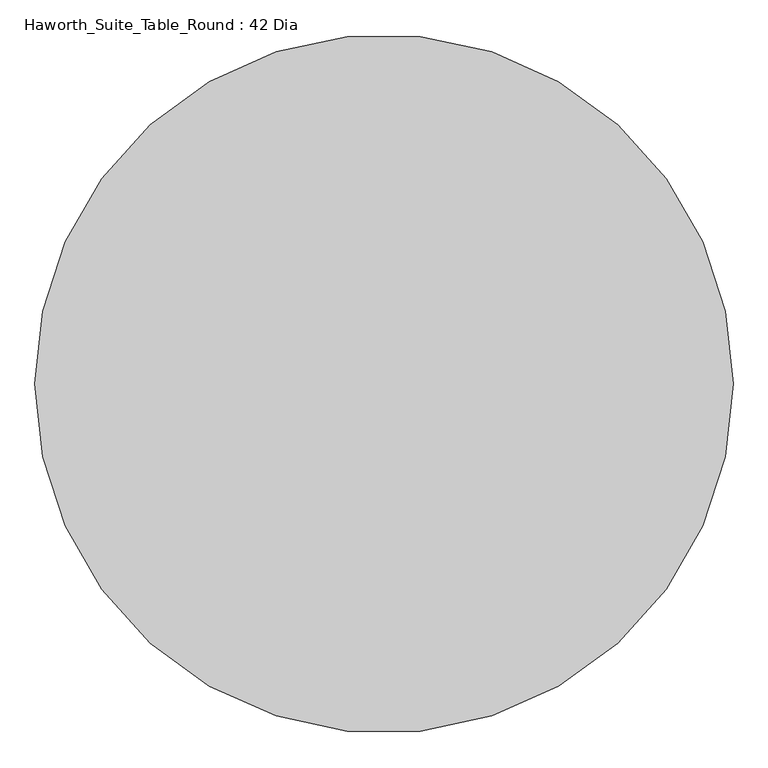
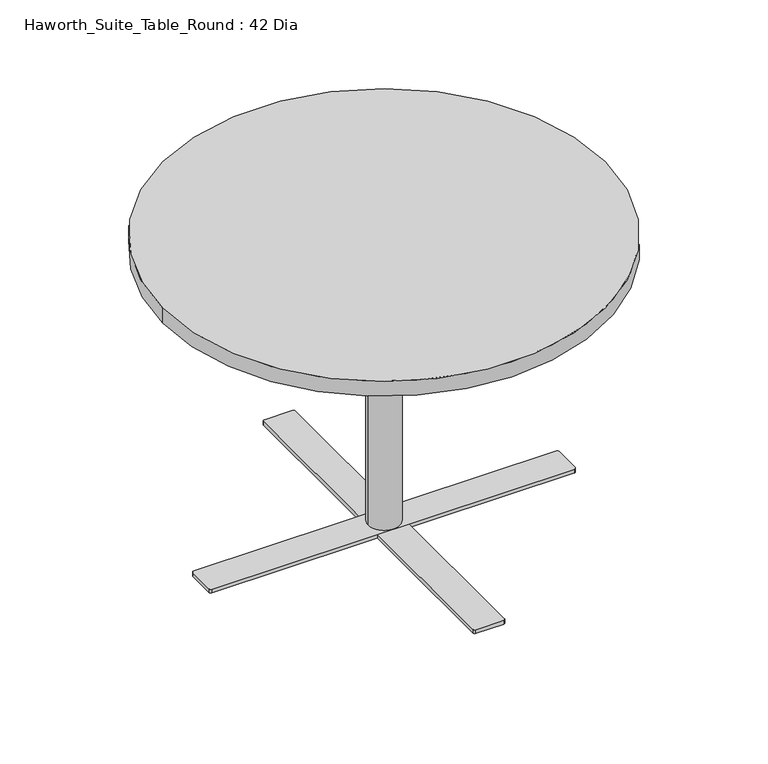
"""IFC4 building model written with IfcOpenShell, lengths in millimetres: furniture geometry, Haworth_Suite_Table_Round : 42 Dia."""

import ifcopenshell
import ifcopenshell.guid

model = None  # the IFC model being written
_history = None  # IfcOwnerHistory: only IFC2X3 demands one
_inside = {}  # id of a spatial element -> (the spatial element, [elements in it])
_under = {}  # id of a project, library or spatial element -> (it, [spatial elements below it])
_declared = {}  # id of a project -> (the project, [libraries it declares])
_typed = {}  # id of a type object -> (the type object, [elements of that type])
_made_of = {}  # id of a material, layer set ... -> (it, [elements and type objects made of it])


def new_model(schema):
    """Start an empty IFC model of exactly this schema.

    Asked for "IFC4X3", IfcOpenShell would pick the latest addendum, in which some entities
    have other attributes; the version numbers below select the first issue.
    IFC2X3 requires an IfcOwnerHistory on every rooted entity: one is made here for all.
    """
    global model, _history
    if schema == "IFC4X3":
        model = ifcopenshell.file(schema_version=(4, 3, 0, 0))
    else:
        model = ifcopenshell.file(schema=schema)
    _inside.clear()
    _under.clear()
    _declared.clear()
    _typed.clear()
    _made_of.clear()
    _history = None
    if model.schema == "IFC2X3":
        org = make("IfcOrganization", Name="unknown")
        user = make(
            "IfcPersonAndOrganization",
            ThePerson=make("IfcPerson", FamilyName="unknown"),
            TheOrganization=org,
        )
        app = make(
            "IfcApplication",
            ApplicationDeveloper=org,
            Version="unknown",
            ApplicationFullName="unknown",
            ApplicationIdentifier="unknown",
        )
        _history = make(
            "IfcOwnerHistory",
            OwningUser=user,
            OwningApplication=app,
            ChangeAction="ADDED",
            CreationDate=0,
        )
    return model


def make(cls, **values):
    """One entity of the class cls with the attributes given. An attribute that is None is left unset."""
    return model.create_entity(
        cls, **{name: value for name, value in values.items() if value is not None}
    )


def rooted(cls, **values):
    """An entity with a GlobalId (a new one), such as an element, a storey or a relation."""
    return make(cls, GlobalId=ifcopenshell.guid.new(), OwnerHistory=_history, **values)


def si_unit(unit_type, name, prefix=None):
    """IfcSIUnit, for example si_unit("LENGTHUNIT", "METRE", prefix="MILLI")."""
    return make("IfcSIUnit", UnitType=unit_type, Prefix=prefix, Name=name)


def assignment(units):
    """IfcUnitAssignment: the units of a project."""
    return None if units is None else make("IfcUnitAssignment", Units=units)


def point(xyz):
    """IfcCartesianPoint."""
    return None if xyz is None else make("IfcCartesianPoint", Coordinates=xyz)


def direction(xyz):
    """IfcDirection."""
    return None if xyz is None else make("IfcDirection", DirectionRatios=xyz)


def frame(location, z_axis=None, x_axis=None):
    """IfcAxis2Placement3D, a coordinate frame: its origin and axes. An axis left out is left unset."""
    return make(
        "IfcAxis2Placement3D",
        Location=point(location),
        Axis=direction(z_axis),
        RefDirection=direction(x_axis),
    )


def frame_2d(location, x_axis=None):
    """IfcAxis2Placement2D, a coordinate frame in the plane: its origin and x axis."""
    return make(
        "IfcAxis2Placement2D", Location=point(location), RefDirection=direction(x_axis)
    )


def origin():
    """The frame at (0, 0, 0) with its axes left unset."""
    return frame((0.0, 0.0, 0.0))


def origin_with_axes():
    """The frame at (0, 0, 0) with the z axis (0, 0, 1) and the x axis (1, 0, 0) written out."""
    return frame((0.0, 0.0, 0.0), z_axis=(0.0, 0.0, 1.0), x_axis=(1.0, 0.0, 0.0))


def place(relative_to, where):
    """IfcLocalPlacement: puts the frame where relative to a parent placement (None: the world)."""
    return make(
        "IfcLocalPlacement", PlacementRelTo=relative_to, RelativePlacement=where
    )


def context(
    kind, dimensions, precision=None, world=None, true_north=None, identifier=None
):
    """IfcGeometricRepresentationContext, for example the 3D "Model" context."""
    return make(
        "IfcGeometricRepresentationContext",
        ContextIdentifier=identifier,
        ContextType=kind,
        CoordinateSpaceDimension=dimensions,
        Precision=precision,
        WorldCoordinateSystem=world,
        TrueNorth=true_north,
    )


def project(units=None, contexts=None):
    """IfcProject with its units and contexts."""
    return rooted(
        "IfcProject",
        Name="project",
        RepresentationContexts=contexts,
        UnitsInContext=assignment(units),
    )


def spatial(cls, under=None, at=None, **own):
    """A site, building, storey or space (cls), placed at a placement, below another one or the project."""
    s = rooted(cls, ObjectPlacement=at, **own)
    if under is not None:
        _under.setdefault(under.id(), (under, []))[1].append(s)
    return s


def polyline(points):
    """IfcPolyline through the points."""
    return make("IfcPolyline", Points=[point(p) for p in points])


def circle_curve(where, radius):
    """IfcCircle in the frame where."""
    return make("IfcCircle", Position=where, Radius=radius)


def trimmed(basis, trim1, trim2, sense, master):
    """IfcTrimmedCurve: the piece of a basis curve between two trims."""
    return make(
        "IfcTrimmedCurve",
        BasisCurve=basis,
        Trim1=trim1,
        Trim2=trim2,
        SenseAgreement=sense,
        MasterRepresentation=master,
    )


def segment(curve, same_sense, transition):
    """IfcCompositeCurveSegment."""
    return make(
        "IfcCompositeCurveSegment",
        Transition=transition,
        SameSense=same_sense,
        ParentCurve=curve,
    )


def composite_curve(segments, self_intersect=None):
    """IfcCompositeCurve: segments joined end to end."""
    return make("IfcCompositeCurve", Segments=segments, SelfIntersect=self_intersect)


def outline(outer, holes=None, kind="AREA"):
    """IfcArbitraryClosedProfileDef: a profile drawn as a closed curve; with holes, ...WithVoids."""
    if holes is None:
        return make("IfcArbitraryClosedProfileDef", ProfileType=kind, OuterCurve=outer)
    return make(
        "IfcArbitraryProfileDefWithVoids",
        ProfileType=kind,
        OuterCurve=outer,
        InnerCurves=holes,
    )


def extrude(swept, where, along, depth):
    """IfcExtrudedAreaSolid: the profile swept, set in the frame where, extruded along a direction by depth."""
    return make(
        "IfcExtrudedAreaSolid",
        SweptArea=swept,
        Position=where,
        ExtrudedDirection=direction(along),
        Depth=depth,
    )


def shape(context_of_items, identifier, shape_type, items):
    """IfcShapeRepresentation: the items that make up one representation, for example the "Body"."""
    return make(
        "IfcShapeRepresentation",
        ContextOfItems=context_of_items,
        RepresentationIdentifier=identifier,
        RepresentationType=shape_type,
        Items=items,
    )


def source(mapping_origin, context_of_items, identifier, shape_type, items):
    """IfcRepresentationMap: a shape defined once, which mapped items show again and again."""
    return make(
        "IfcRepresentationMap",
        MappingOrigin=mapping_origin,
        MappedRepresentation=shape(context_of_items, identifier, shape_type, items),
    )


def transform(
    local_origin,
    x_axis=None,
    y_axis=None,
    z_axis=None,
    scale=None,
    scale2=None,
    scale3=None,
    uniform=True,
):
    """IfcCartesianTransformationOperator3D, or its non-uniform kind. x_axis, y_axis, z_axis: its Axis1, 2, 3."""
    if uniform:
        return make(
            "IfcCartesianTransformationOperator3D",
            Axis1=direction(x_axis),
            Axis2=direction(y_axis),
            LocalOrigin=point(local_origin),
            Scale=scale,
            Axis3=direction(z_axis),
        )
    return make(
        "IfcCartesianTransformationOperator3DnonUniform",
        Axis1=direction(x_axis),
        Axis2=direction(y_axis),
        LocalOrigin=point(local_origin),
        Scale=scale,
        Axis3=direction(z_axis),
        Scale2=scale2,
        Scale3=scale3,
    )


def mapped(mapping_source, mapping_target):
    """IfcMappedItem: shows the shape of a source again, moved by a transform."""
    return make(
        "IfcMappedItem", MappingSource=mapping_source, MappingTarget=mapping_target
    )


def made_of(thing, what):
    """Note that an element or type object is made of a material, layer set ...; save() writes the relation."""
    if what is not None:
        _made_of.setdefault(what.id(), (what, []))[1].append(thing)
    return thing


def element(
    cls,
    number,
    at=None,
    inside=None,
    cuts=None,
    type_object=None,
    material=None,
    context=None,
    identifier="Body",
    shape_type=None,
    held_by="IfcProductDefinitionShape",
    body=None,
    shapes=None,
    **own,
):
    """One element of the class cls, such as IfcWall. Its Tag is "e" and its number.

    at: its placement. inside: the storey or other place that contains it. cuts: it is an
    opening in that element (IfcRelVoidsElement). A single representation is given by context,
    identifier, shape_type and body (its items); several are given by shapes. held_by: the class
    of the entity that holds the representations. save() writes the other relations.
    """
    e = rooted(cls, Tag="e%d" % number, ObjectPlacement=at, **own)
    if body is not None:
        shapes = [shape(context, identifier, shape_type, body)]
    if shapes is not None:
        e.Representation = make(held_by, Representations=shapes)
    if inside is not None:
        _inside.setdefault(inside.id(), (inside, []))[1].append(e)
    if cuts is not None:
        rooted(
            "IfcRelVoidsElement", RelatingBuildingElement=cuts, RelatedOpeningElement=e
        )
    if type_object is not None:
        _typed.setdefault(type_object.id(), (type_object, []))[1].append(e)
    return made_of(e, material)


def aggregate(whole, parts):
    """IfcRelAggregates: a whole, such as a stair, and the parts it consists of."""
    return rooted("IfcRelAggregates", RelatingObject=whole, RelatedObjects=parts)


def save(model, path):
    """Write the relations noted so far, then the file.

    IfcRelAggregates (storeys below a building ...), IfcRelContainedInSpatialStructure (elements
    in a storey), IfcRelDefinesByType, IfcRelAssociatesMaterial and IfcRelDeclares: one each for
    every whole, place, type object, material and project.
    """
    for whole, parts in _under.values():
        aggregate(whole, parts)
    for where, things in _inside.values():
        rooted(
            "IfcRelContainedInSpatialStructure",
            RelatedElements=things,
            RelatingStructure=where,
        )
    for kind, things in _typed.values():
        rooted("IfcRelDefinesByType", RelatedObjects=things, RelatingType=kind)
    for what, things in _made_of.values():
        rooted("IfcRelAssociatesMaterial", RelatedObjects=things, RelatingMaterial=what)
    for by, libraries in _declared.values():
        rooted("IfcRelDeclares", RelatingContext=by, RelatedDefinitions=libraries)
    model.write(path)


def haworth_suite_table_round_42_dia_39e4f958(model_context):
    return source(origin(), model_context, "Body", "SweptSolid", [
        extrude(outline(composite_curve([segment(trimmed(circle_curve(frame_2d((-403.225, -622.3)), 12.7), [point((-403.225, -609.6))], [point((-403.225, -635.0))], False, "CARTESIAN"), True, "CONTINUOUS"), segment(trimmed(circle_curve(frame_2d((-403.225, -622.3)), 12.7), [point((-403.225, -635.0))], [point((-403.225, -609.6))], False, "CARTESIAN"), True, "CONTINUOUS")], self_intersect=False)), origin_with_axes(), (0.0, 0.0, 1.0), 3.175),
        extrude(outline(composite_curve([segment(trimmed(circle_curve(frame_2d((377.825, -622.3)), 12.7), [point((377.825, -609.6))], [point((377.825, -635.0))], False, "CARTESIAN"), True, "CONTINUOUS"), segment(trimmed(circle_curve(frame_2d((377.825, -622.3)), 12.7), [point((377.825, -635.0))], [point((377.825, -609.6))], False, "CARTESIAN"), True, "CONTINUOUS")], self_intersect=False)), origin_with_axes(), (0.0, 0.0, 1.0), 3.175),
        extrude(outline(polyline([(-434.975, -647.7), (-434.975, -596.9), (409.575, -596.9), (409.575, -647.7), (-434.975, -647.7)])), frame((0.0, 0.0, 3.175), z_axis=(0.0, 0.0, 1.0), x_axis=(1.0, 0.0, 0.0)), (0.0, 0.0, 1.0), 9.525),
        extrude(outline(composite_curve([segment(trimmed(circle_curve(frame_2d((423.8625, -655.6375)), 4.7625), [point((428.625, -655.6375))], [point((423.8625, -660.4))], False, "CARTESIAN"), True, "CONTINUOUS"), segment(polyline([(423.8625, -660.4), (-449.2625, -660.4)]), True, "CONTINUOUS"), segment(trimmed(circle_curve(frame_2d((-449.2625, -655.6375)), 4.7625), [point((-449.2625, -660.4))], [point((-454.025, -655.6375))], False, "CARTESIAN"), True, "CONTINUOUS"), segment(polyline([(-454.025, -655.6375), (-454.025, -588.9625)]), True, "CONTINUOUS"), segment(trimmed(circle_curve(frame_2d((-449.2625, -588.9625)), 4.7625), [point((-454.025, -588.9625))], [point((-449.2625, -584.2))], False, "CARTESIAN"), True, "CONTINUOUS"), segment(polyline([(-449.2625, -584.2), (423.8625, -584.2)]), True, "CONTINUOUS"), segment(trimmed(circle_curve(frame_2d((423.8625, -588.9625)), 4.7625), [point((423.8625, -584.2))], [point((428.625, -588.9625))], False, "CARTESIAN"), True, "CONTINUOUS"), segment(polyline([(428.625, -588.9625), (428.625, -655.6375)]), True, "CONTINUOUS")], self_intersect=False)), frame((0.0, 0.0, 12.7), z_axis=(0.0, 0.0, 1.0), x_axis=(1.0, 0.0, 0.0)), (0.0, 0.0, 1.0), 9.525),
        extrude(outline(composite_curve([segment(trimmed(circle_curve(frame_2d((-12.7, -622.3)), 38.1), [point((-50.8, -622.3))], [point((25.4, -622.3))], False, "CARTESIAN"), True, "CONTINUOUS"), segment(trimmed(circle_curve(frame_2d((-12.7, -622.3)), 38.1), [point((25.4, -622.3))], [point((-50.8, -622.3))], False, "CARTESIAN"), True, "CONTINUOUS")], self_intersect=False)), frame((0.0, 0.0, 22.225), z_axis=(0.0, 0.0, 1.0), x_axis=(1.0, 0.0, 0.0)), (0.0, 0.0, 1.0), 688.975),
        extrude(outline(composite_curve([segment(trimmed(circle_curve(frame_2d((-12.7, -1012.825)), 12.7), [point((-25.4, -1012.825))], [point((0.0, -1012.825))], False, "CARTESIAN"), True, "CONTINUOUS"), segment(trimmed(circle_curve(frame_2d((-12.7, -1012.825)), 12.7), [point((0.0, -1012.825))], [point((-25.4, -1012.825))], False, "CARTESIAN"), True, "CONTINUOUS")], self_intersect=False)), origin_with_axes(), (0.0, 0.0, 1.0), 3.175),
        extrude(outline(composite_curve([segment(trimmed(circle_curve(frame_2d((-12.7, -231.775)), 12.7), [point((-25.4, -231.775))], [point((0.0, -231.775))], False, "CARTESIAN"), True, "CONTINUOUS"), segment(trimmed(circle_curve(frame_2d((-12.7, -231.775)), 12.7), [point((0.0, -231.775))], [point((-25.4, -231.775))], False, "CARTESIAN"), True, "CONTINUOUS")], self_intersect=False)), origin_with_axes(), (0.0, 0.0, 1.0), 3.175),
        extrude(outline(polyline([(12.7, -1044.575), (-38.1, -1044.575), (-38.1, -200.025), (12.7, -200.025), (12.7, -1044.575)])), frame((0.0, 0.0, 3.175), z_axis=(0.0, 0.0, 1.0), x_axis=(1.0, 0.0, 0.0)), (0.0, 0.0, 1.0), 9.525),
        extrude(outline(composite_curve([segment(trimmed(circle_curve(frame_2d((20.6375, -185.7375)), 4.7625), [point((20.6375, -180.975))], [point((25.4, -185.7375))], False, "CARTESIAN"), True, "CONTINUOUS"), segment(polyline([(25.4, -185.7375), (25.4, -1058.8625)]), True, "CONTINUOUS"), segment(trimmed(circle_curve(frame_2d((20.6375, -1058.8625)), 4.7625), [point((25.4, -1058.8625))], [point((20.6375, -1063.625))], False, "CARTESIAN"), True, "CONTINUOUS"), segment(polyline([(20.6375, -1063.625), (-46.0375, -1063.625)]), True, "CONTINUOUS"), segment(trimmed(circle_curve(frame_2d((-46.0375, -1058.8625)), 4.7625), [point((-46.0375, -1063.625))], [point((-50.8, -1058.8625))], False, "CARTESIAN"), True, "CONTINUOUS"), segment(polyline([(-50.8, -1058.8625), (-50.8, -185.7375)]), True, "CONTINUOUS"), segment(trimmed(circle_curve(frame_2d((-46.0375, -185.7375)), 4.7625), [point((-50.8, -185.7375))], [point((-46.0375, -180.975))], False, "CARTESIAN"), True, "CONTINUOUS"), segment(polyline([(-46.0375, -180.975), (20.6375, -180.975)]), True, "CONTINUOUS")], self_intersect=False)), frame((0.0, 0.0, 12.7), z_axis=(0.0, 0.0, 1.0), x_axis=(1.0, 0.0, 0.0)), (0.0, 0.0, 1.0), 9.525),
        extrude(outline(composite_curve([segment(trimmed(circle_curve(frame_2d((-12.7, -622.3)), 533.4), [point((-546.1, -622.3))], [point((520.7, -622.3))], False, "CARTESIAN"), True, "CONTINUOUS"), segment(trimmed(circle_curve(frame_2d((-12.7, -622.3)), 533.4), [point((520.7, -622.3))], [point((-546.1, -622.3))], False, "CARTESIAN"), True, "CONTINUOUS")], self_intersect=False)), frame((0.0, 0.0, 711.2), z_axis=(0.0, 0.0, 1.0), x_axis=(1.0, 0.0, 0.0)), (0.0, 0.0, 1.0), 38.1),
    ])


if __name__ == "__main__":
    model = new_model("IFC4")
    model_context = context("Model", 3, world=origin())
    ifc_project = project(units=[si_unit("LENGTHUNIT", "METRE", prefix="MILLI")], contexts=[model_context])
    site = spatial("IfcSite", under=ifc_project)
    building = spatial("IfcBuilding", under=site)
    placement = place(None, origin())
    haworth_suite_table_round_42_dia_shape = haworth_suite_table_round_42_dia_39e4f958(model_context)
    element("IfcFurniture", 1, ObjectType="Haworth_Suite_Table_Round : 42 Dia", at=placement, inside=building, context=model_context, shape_type="MappedRepresentation", body=[
        mapped(haworth_suite_table_round_42_dia_shape, transform((0.0, 0.0, 0.0), x_axis=(1.0, 0.0, 0.0), y_axis=(0.0, 1.0, 0.0), z_axis=(0.0, 0.0, 1.0))),
    ])
    save(model, "model.ifc")
